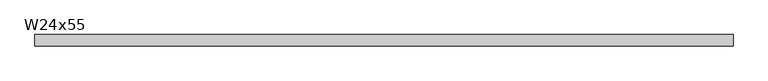
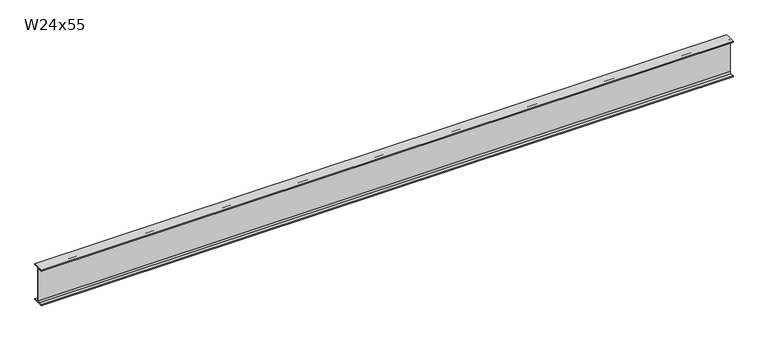
"""IFC4 building model written with IfcOpenShell, lengths in millimetres: beam geometry, W24x55."""

from ifc_helpers import new_model, si_unit, point, frame, frame_2d, origin, place, context, project, spatial, polyline, circle_curve, trimmed, segment, composite_curve, outline, extrude, source, transform, mapped, element, save


def w24x55_04a6c0bd(model_context):
    return source(origin(), model_context, "Body", "SweptSolid", [
        extrude(outline(composite_curve([segment(polyline([(89.027, -286.893), (89.027, -299.72), (-89.027, -299.72), (-89.027, -286.893), (-28.702, -286.893)]), True, "CONTINUOUS"), segment(trimmed(circle_curve(frame_2d((-28.702, -263.2075)), 23.6855), [point((-28.702, -286.893))], [point((-5.0165, -263.2075))], True, "CARTESIAN"), True, "CONTINUOUS"), segment(polyline([(-5.0165, -263.2075), (-5.0165, 263.2075)]), True, "CONTINUOUS"), segment(trimmed(circle_curve(frame_2d((-28.702, 263.2075)), 23.6855), [point((-5.0165, 263.2075))], [point((-28.702, 286.893))], True, "CARTESIAN"), True, "CONTINUOUS"), segment(polyline([(-28.702, 286.893), (-89.027, 286.893), (-89.027, 299.72), (89.027, 299.72), (89.027, 286.893), (28.702, 286.893)]), True, "CONTINUOUS"), segment(trimmed(circle_curve(frame_2d((28.702, 263.2075)), 23.6855), [point((28.702, 286.893))], [point((5.0165, 263.2075))], True, "CARTESIAN"), True, "CONTINUOUS"), segment(polyline([(5.0165, 263.2075), (5.0165, -263.2075)]), True, "CONTINUOUS"), segment(trimmed(circle_curve(frame_2d((28.702, -263.2075)), 23.6855), [point((5.0165, -263.2075))], [point((28.702, -286.893))], True, "CARTESIAN"), True, "CONTINUOUS"), segment(polyline([(28.702, -286.893), (89.027, -286.893)]), True, "CONTINUOUS")], self_intersect=False)), frame((-5547.0100401, 0.0, 0.0), z_axis=(1.0, 0.0, 0.0), x_axis=(0.0, 1.0, 0.0)), (0.0, 0.0, 1.0), 11091.2716133),
    ])


if __name__ == "__main__":
    model = new_model("IFC4")
    model_context = context("Model", 3, world=origin())
    ifc_project = project(units=[si_unit("LENGTHUNIT", "METRE", prefix="MILLI")], contexts=[model_context])
    site = spatial("IfcSite", under=ifc_project)
    building = spatial("IfcBuilding", under=site)
    placement = place(None, origin())
    w24x55_shape = w24x55_04a6c0bd(model_context)
    element("IfcBeam", 1, ObjectType="W24x55", at=placement, inside=building, context=model_context, shape_type="MappedRepresentation", body=[
        mapped(w24x55_shape, transform((0.0, 0.0, 0.0), x_axis=(1.0, 0.0, 0.0), y_axis=(0.0, 1.0, 0.0), z_axis=(0.0, 0.0, 1.0))),
    ])
    save(model, "model.ifc")
